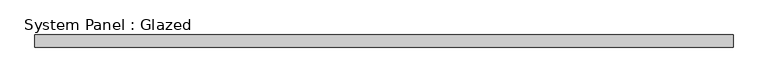
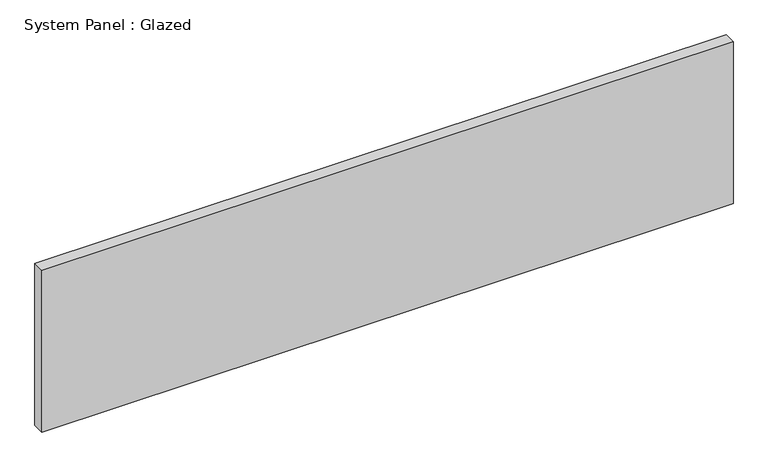
"""IFC4 building model written with IfcOpenShell, lengths in millimetres: plate geometry, System Panel : Glazed."""

from ifc_helpers import new_model, si_unit, origin, origin_with_axes, place, context, project, spatial, polyline, outline, extrude, source, transform, mapped, element, save


def system_panel_glazed_dec8db29(model_context):
    return source(origin(), model_context, "Body", "SweptSolid", [
        extrude(outline(polyline([(730.25, -12.7), (-730.25, -12.7), (-730.25, 12.7), (730.25, 12.7), (730.25, -12.7)])), origin_with_axes(), (0.0, 0.0, 1.0), 361.45),
    ])


if __name__ == "__main__":
    model = new_model("IFC4")
    model_context = context("Model", 3, world=origin())
    ifc_project = project(units=[si_unit("LENGTHUNIT", "METRE", prefix="MILLI")], contexts=[model_context])
    site = spatial("IfcSite", under=ifc_project)
    building = spatial("IfcBuilding", under=site)
    placement = place(None, origin())
    system_panel_glazed_shape = system_panel_glazed_dec8db29(model_context)
    element("IfcPlate", 1, ObjectType="System Panel : Glazed", at=placement, inside=building, context=model_context, shape_type="MappedRepresentation", body=[
        mapped(system_panel_glazed_shape, transform((0.0, 0.0, 0.0), x_axis=(1.0, 0.0, 0.0), y_axis=(0.0, 1.0, 0.0), z_axis=(0.0, 0.0, 1.0))),
    ])
    save(model, "model.ifc")
